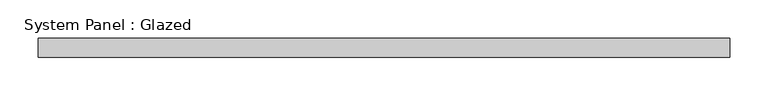
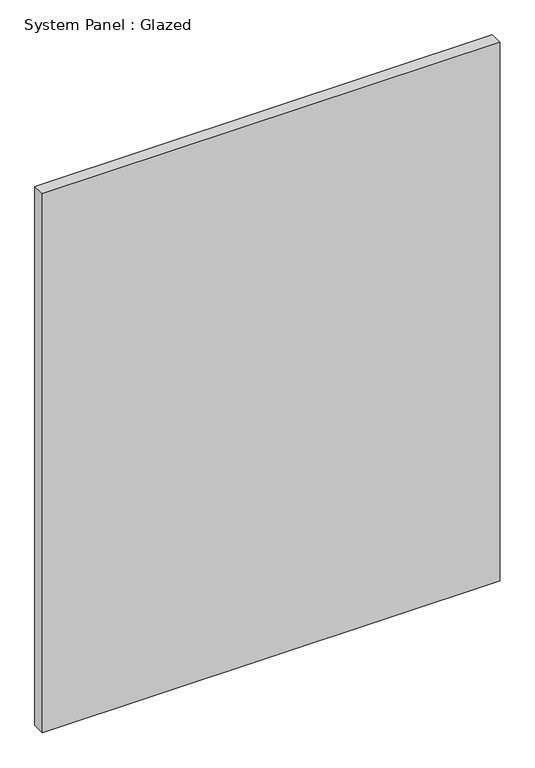
"""IFC4 building model written with IfcOpenShell, lengths in millimetres: plate geometry, System Panel : Glazed."""

from ifc_helpers import new_model, si_unit, origin, origin_with_axes, place, context, project, spatial, polyline, outline, extrude, source, transform, mapped, element, save


def system_panel_glazed_1756aa20(model_context):
    return source(origin(), model_context, "Body", "SweptSolid", [
        extrude(outline(polyline([(454.025, 0.0), (-454.025, 0.0), (-454.025, 25.4), (454.025, 25.4), (454.025, 0.0)])), origin_with_axes(), (0.0, 0.0, 1.0), 1130.3),
    ])


if __name__ == "__main__":
    model = new_model("IFC4")
    model_context = context("Model", 3, world=origin())
    ifc_project = project(units=[si_unit("LENGTHUNIT", "METRE", prefix="MILLI")], contexts=[model_context])
    site = spatial("IfcSite", under=ifc_project)
    building = spatial("IfcBuilding", under=site)
    placement = place(None, origin())
    system_panel_glazed_shape = system_panel_glazed_1756aa20(model_context)
    element("IfcPlate", 1, ObjectType="System Panel : Glazed", at=placement, inside=building, context=model_context, shape_type="MappedRepresentation", body=[
        mapped(system_panel_glazed_shape, transform((0.0, 0.0, 0.0), x_axis=(1.0, 0.0, 0.0), y_axis=(0.0, 1.0, 0.0), z_axis=(0.0, 0.0, 1.0))),
    ])
    save(model, "model.ifc")
